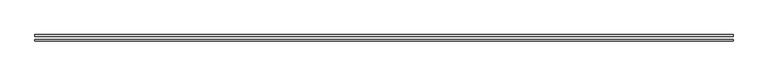
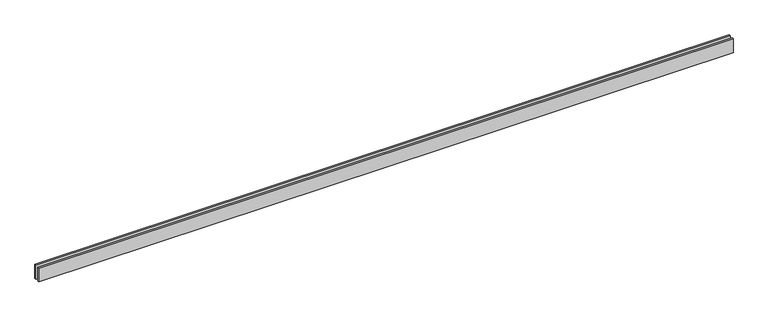
"""IFC4 building model written with IfcOpenShell, lengths in millimetres: proxy geometry."""

from ifc_helpers import new_model, si_unit, origin, origin_with_axes, place, context, project, spatial, polyline, outline, extrude, source, transform, mapped, element, save


def generic_models_6305395f(model_context):
    return source(origin(), model_context, "Body", "SweptSolid", [
        extrude(outline(polyline([(11813.2034356, -25.0), (11813.2034356, -55.0), (0.0, -55.0), (0.0, -25.0), (11813.2034356, -25.0)])), origin_with_axes(), (0.0, 0.0, 1.0), 250.0),
        extrude(outline(polyline([(11813.2034356, 55.0), (11813.2034356, 25.0), (0.0, 25.0), (0.0, 55.0), (11813.2034356, 55.0)])), origin_with_axes(), (0.0, 0.0, 1.0), 250.0),
    ])


if __name__ == "__main__":
    model = new_model("IFC4")
    model_context = context("Model", 3, world=origin())
    ifc_project = project(units=[si_unit("LENGTHUNIT", "METRE", prefix="MILLI")], contexts=[model_context])
    site = spatial("IfcSite", under=ifc_project)
    building = spatial("IfcBuilding", under=site)
    placement = place(None, origin())
    generic_models_shape = generic_models_6305395f(model_context)
    element("IfcBuildingElementProxy", 1, Name="Generic Models", at=placement, inside=building, context=model_context, shape_type="MappedRepresentation", body=[
        mapped(generic_models_shape, transform((0.0, 0.0, 0.0), x_axis=(1.0, 0.0, 0.0), y_axis=(0.0, 1.0, 0.0), z_axis=(0.0, 0.0, 1.0))),
    ])
    save(model, "model.ifc")
